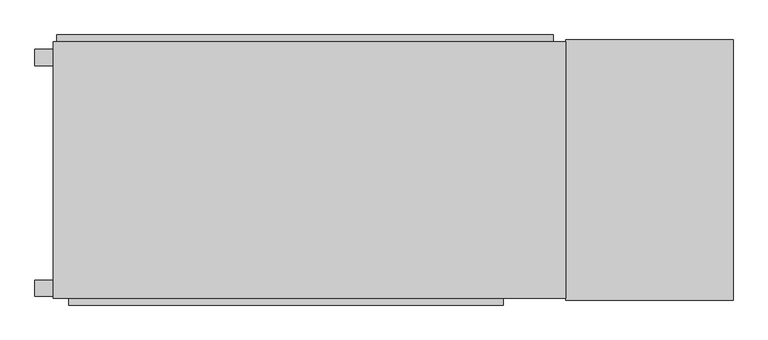
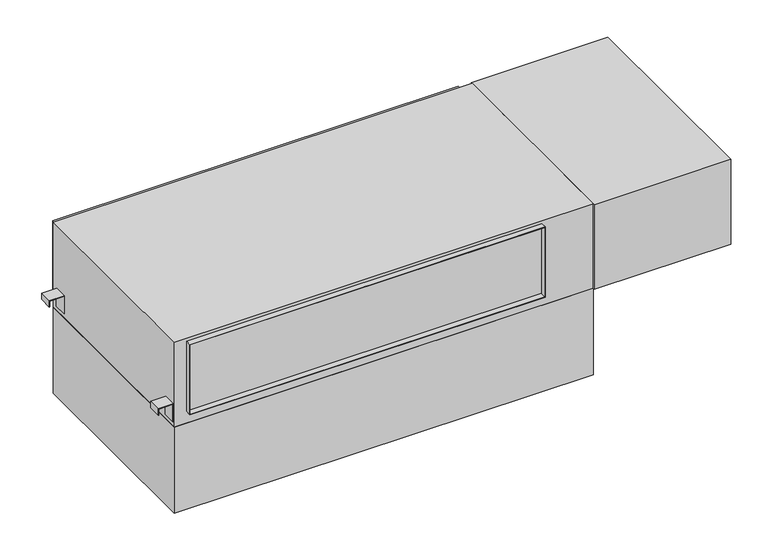
"""IFC4 building model written with IfcOpenShell, lengths in millimetres: proxy geometry."""

from ifc_helpers import new_model, si_unit, point, frame, frame_2d, origin, origin_with_axes, place, context, project, spatial, polyline, circle_curve, trimmed, segment, composite_curve, outline, extrude, faceted_brep, source, transform, mapped, element, save


def mechanical_equipment_06f28d31(model_context):
    return source(origin(), model_context, "Body", "SolidModel", [
        extrude(outline(polyline([(15.875, 701.675), (77.7875, 701.675), (77.7875, 749.3), (57.15, 749.3), (57.15, 750.8875), (79.375, 750.8875), (79.375, 700.0875), (15.875, 700.0875), (15.875, 701.675)])), frame((0.0, 284.95625, 0.0), z_axis=(0.0, 1.0, 0.0), x_axis=(0.0, 0.0, 1.0)), (0.0, 0.0, 1.0), 44.45),
        extrude(outline(polyline([(15.875, -700.0875), (79.375, -700.0875), (79.375, -750.8875), (57.15, -750.8875), (57.15, -749.3), (77.7875, -749.3), (77.7875, -701.675), (15.875, -701.675), (15.875, -700.0875)])), frame((0.0, 284.95625, 0.0), z_axis=(0.0, 1.0, 0.0), x_axis=(0.0, 0.0, 1.0)), (0.0, 0.0, 1.0), 44.45),
        extrude(outline(polyline([(57.15, 750.8875), (79.375, 750.8875), (79.375, 700.0875), (15.875, 700.0875), (15.875, 701.675), (77.7875, 701.675), (77.7875, 749.3), (57.15, 749.3), (57.15, 750.8875)])), frame((0.0, -345.28125, 0.0), z_axis=(0.0, 1.0, 0.0), x_axis=(0.0, 0.0, 1.0)), (0.0, 0.0, 1.0), 44.45),
        extrude(outline(polyline([(15.875, -700.0875), (79.375, -700.0875), (79.375, -750.8875), (57.15, -750.8875), (57.15, -749.3), (77.7875, -749.3), (77.7875, -701.675), (15.875, -701.675), (15.875, -700.0875)])), frame((0.0, -345.28125, 0.0), z_axis=(0.0, 1.0, 0.0), x_axis=(0.0, 0.0, 1.0)), (0.0, 0.0, 1.0), 44.45),
        extrude(outline(polyline([(-700.0875, 350.04375), (700.0875, 350.04375), (700.0875, -350.04375), (-700.0875, -350.04375), (-700.0875, 350.04375)])), frame((0.0, 0.0, -304.8), z_axis=(0.0, 0.0, 1.0), x_axis=(1.0, 0.0, 0.0)), (0.0, 0.0, 1.0), 304.8),
        faceted_brep([(700.0875, 350.04375, 0.0), (700.0875, -350.04375, 0.0), (-700.0875, -350.04375, 0.0), (-700.0875, 350.04375, 0.0), (700.0875, 350.04375, 300.0375), (-700.0875, 350.04375, 300.0375), (-700.0875, -350.04375, 300.0375), (700.0875, -350.04375, 300.0375), (528.6375, -350.04375, 288.925), (528.6375, -350.04375, 41.275), (-658.8125, -350.04375, 41.275), (-658.8125, -350.04375, 288.925), (527.05, -350.04375, 42.8625), (527.05, -350.04375, 287.3375), (-657.225, -350.04375, 287.3375), (-657.225, -350.04375, 42.8625), (665.226, 350.04375, 7.874), (665.226, 350.04375, 290.576), (-690.626, 350.04375, 290.576), (-690.626, 350.04375, 7.874), (661.9875, 350.04375, 287.3375), (661.9875, 350.04375, 11.1125), (-687.3875, 350.04375, 11.1125), (-687.3875, 350.04375, 287.3375), (528.6375, -369.09375, 288.925), (528.6375, -369.09375, 41.275), (527.05, -369.09375, 287.3375), (527.05, -369.09375, 42.8625), (-658.8125, -369.09375, 41.275), (-657.225, -369.09375, 42.8625), (-658.8125, -369.09375, 288.925), (-657.225, -369.09375, 287.3375), (661.9875, 369.09375, 287.3375), (661.9875, 369.09375, 11.1125), (665.226, 369.09375, 290.576), (665.226, 369.09375, 7.874), (-687.3875, 369.09375, 11.1125), (-690.626, 369.09375, 7.874), (-687.3875, 369.09375, 287.3375), (-690.626, 369.09375, 290.576)], [[[0, 1, 2, 3]], [[4, 5, 6, 7]], [[1, 0, 4, 7]], [[2, 1, 7, 6], [8, 9, 10, 11]], [[12, 13, 14, 15]], [[3, 2, 6, 5]], [[0, 3, 5, 4], [16, 17, 18, 19]], [[20, 21, 22, 23]], [[8, 24, 25, 9]], [[26, 13, 12, 27]], [[9, 25, 28, 10]], [[27, 12, 15, 29]], [[10, 28, 30, 11]], [[29, 15, 14, 31]], [[24, 8, 11, 30]], [[13, 26, 31, 14]], [[25, 24, 30, 28], [26, 27, 29, 31]], [[20, 32, 33, 21]], [[34, 17, 16, 35]], [[21, 33, 36, 22]], [[35, 16, 19, 37]], [[22, 36, 38, 23]], [[37, 19, 18, 39]], [[34, 35, 37, 39], [33, 32, 38, 36]], [[32, 20, 23, 38]], [[17, 34, 39, 18]]]),
        extrude(outline(polyline([(1157.2875, 355.6), (1157.2875, -355.6), (700.0875, -355.6), (700.0875, 355.6), (1157.2875, 355.6)])), origin_with_axes(), (0.0, 0.0, 1.0), 300.0375),
        extrude(outline(composite_curve([segment(trimmed(circle_curve(frame_2d((-30.95625, 144.4625)), 7.9375), [point((-38.89375, 144.4625))], [point((-23.01875, 144.4625))], False, "CARTESIAN"), True, "CONTINUOUS"), segment(trimmed(circle_curve(frame_2d((-30.95625, 144.4625)), 7.9375), [point((-23.01875, 144.4625))], [point((-38.89375, 144.4625))], False, "CARTESIAN"), True, "CONTINUOUS")], self_intersect=False)), frame((700.0875, 0.0, 0.0), z_axis=(1.0, 0.0, 0.0), x_axis=(0.0, 1.0, 0.0)), (0.0, 0.0, 1.0), 65.0875),
        extrude(outline(composite_curve([segment(trimmed(circle_curve(frame_2d((-59.53125, 212.725)), 4.7625), [point((-64.29375, 212.725))], [point((-54.76875, 212.725))], False, "CARTESIAN"), True, "CONTINUOUS"), segment(trimmed(circle_curve(frame_2d((-59.53125, 212.725)), 4.7625), [point((-54.76875, 212.725))], [point((-64.29375, 212.725))], False, "CARTESIAN"), True, "CONTINUOUS")], self_intersect=False)), frame((700.0875, 0.0, 0.0), z_axis=(1.0, 0.0, 0.0), x_axis=(0.0, 1.0, 0.0)), (0.0, 0.0, 1.0), 65.0875),
        extrude(outline(composite_curve([segment(trimmed(circle_curve(frame_2d((-183.35625, 231.775)), 15.875), [point((-199.23125, 231.775))], [point((-167.48125, 231.775))], False, "CARTESIAN"), True, "CONTINUOUS"), segment(trimmed(circle_curve(frame_2d((-183.35625, 231.775)), 15.875), [point((-167.48125, 231.775))], [point((-199.23125, 231.775))], False, "CARTESIAN"), True, "CONTINUOUS")], self_intersect=False)), frame((700.0875, 0.0, 0.0), z_axis=(1.0, 0.0, 0.0), x_axis=(0.0, 1.0, 0.0)), (0.0, 0.0, 1.0), 58.7375),
    ])


if __name__ == "__main__":
    model = new_model("IFC4")
    model_context = context("Model", 3, world=origin())
    ifc_project = project(units=[si_unit("LENGTHUNIT", "METRE", prefix="MILLI")], contexts=[model_context])
    site = spatial("IfcSite", under=ifc_project)
    building = spatial("IfcBuilding", under=site)
    placement = place(None, origin())
    mechanical_equipment_shape = mechanical_equipment_06f28d31(model_context)
    element("IfcBuildingElementProxy", 1, Name="Mechanical Equipment", at=placement, inside=building, context=model_context, shape_type="MappedRepresentation", body=[
        mapped(mechanical_equipment_shape, transform((0.0, 0.0, 0.0), x_axis=(1.0, 0.0, 0.0), y_axis=(0.0, 1.0, 0.0), z_axis=(0.0, 0.0, 1.0))),
    ])
    save(model, "model.ifc")
